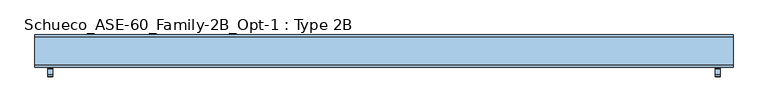
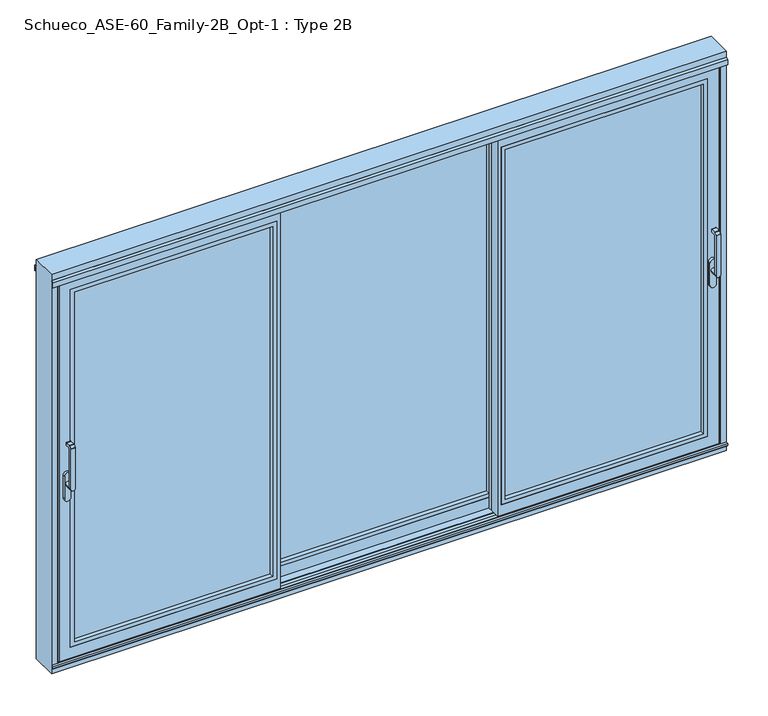
"""IFC4 building model written with IfcOpenShell, lengths in millimetres: window geometry, Schueco_ASE-60_Family-2B_Opt-1 : Type 2B."""

from ifc_helpers import new_model, si_unit, point, frame, frame_2d, origin, origin_with_axes, place, context, project, spatial, polyline, circle_curve, trimmed, segment, composite_curve, outline, extrude, faceted_brep, source, transform, mapped, element, save
from ifc_brep_helpers import plane_surface, cylinder_surface, revolved_surface, advanced_brep


def schueco_ase_60_family_2b_opt_1_type_2b_6e3fb489(model_context):
    return source(origin(), model_context, "Body", "SolidModel", [
        extrude(outline(polyline([(-596.6666667, 20.0000255), (-596.6666667, 4.0000255), (-616.6666667, 4.0000255), (-616.6666667, 20.0000255), (-596.6666667, 20.0000255)])), frame((0.0, 0.0, 4.0), z_axis=(0.0, 0.0, 1.0), x_axis=(1.0, 0.0, 0.0)), (0.0, 0.0, 1.0), 2127.0),
        extrude(outline(polyline([(596.6666667, 20.0000255), (616.6666667, 20.0000255), (616.6666667, 4.0000255), (596.6666667, 4.0000255), (596.6666667, 20.0000255)])), frame((0.0, 0.0, 4.0), z_axis=(0.0, 0.0, 1.0), x_axis=(1.0, 0.0, 0.0)), (0.0, 0.0, 1.0), 2127.0),
        faceted_brep([(616.6666667, 80.0, 2131.0), (616.6666667, 20.0000255, 2131.0), (616.6666667, 20.0000255, 4.0), (616.6666667, 80.0, 3.9982816), (-616.6666667, 20.0000255, 4.0), (-616.6666667, 20.0000255, 2131.0), (-598.6666667, 20.0000255, 64.0), (-598.6666667, 20.0000255, 2071.0), (598.6666667, 20.0000255, 2071.0), (598.6666667, 20.0000255, 64.0), (-616.6666667, 80.0, 4.0), (598.6666667, 68.9999911, 4.0), (576.6666667, 68.9999911, 4.0), (576.6666667, 74.5000332, 4.0), (-576.6666667, 74.5000332, 4.0), (-576.6666667, 68.9999911, 4.0), (-598.6666667, 68.9999911, 4.0), (-598.6666667, 25.5000255, 4.0), (598.6666667, 25.5000255, 4.0), (-616.6666667, 80.0, 2131.0), (576.6666667, 80.0, 86.0), (576.6666667, 80.0, 2049.0), (-576.6666667, 80.0, 2049.0), (-576.6666667, 80.0, 86.0), (576.6666667, 68.9999911, 34.0), (576.6666667, 74.5000332, 34.0), (576.6666667, 68.9999911, 86.0), (576.6666667, 68.9999911, 2049.0), (576.6666667, 68.9999911, 2101.0), (576.6666667, 68.9999911, 2131.0), (576.6666667, 74.5000332, 2131.0), (576.6666667, 74.5000332, 2101.0), (-576.6666667, 74.5000332, 34.0), (-576.6666667, 68.9999911, 34.0), (-576.6666667, 68.9999911, 86.0), (-576.6666667, 68.9999911, 2049.0), (-576.6666667, 74.5000332, 2131.0), (-576.6666667, 68.9999911, 2131.0), (-576.6666667, 68.9999911, 2101.0), (-576.6666667, 74.5000332, 2101.0), (598.6666667, 68.9999911, 34.0), (-598.6666667, 68.9999911, 34.0), (-598.6666667, 68.9999911, 64.0), (598.6666667, 68.9999911, 64.0), (598.6666667, 68.9999911, 2071.0), (-598.6666667, 68.9999911, 2071.0), (-598.6666667, 68.9999911, 2131.0), (-598.6666667, 68.9999911, 2101.0), (598.6666667, 68.9999911, 2131.0), (598.6666667, 68.9999911, 2101.0), (598.6666667, 25.5000255, 34.0), (598.6666667, 25.5000255, 2101.0), (598.6666667, 25.5000255, 2131.0), (-598.6666667, 25.5000255, 34.0), (-598.6666667, 25.5000255, 2131.0), (-598.6666667, 25.5000255, 2101.0)], [[[0, 1, 2, 3]], [[4, 2, 1, 5], [6, 7, 8, 9]], [[3, 2, 4, 10], [11, 12, 13, 14, 15, 16, 17, 18]], [[3, 10, 19, 0], [20, 21, 22, 23]], [[5, 19, 10, 4]], [[13, 12, 24, 25]], [[20, 26, 27, 21]], [[28, 29, 30, 31]], [[15, 14, 32, 33]], [[34, 23, 22, 35]], [[36, 37, 38, 39]], [[26, 20, 23, 34]], [[12, 11, 40, 24]], [[16, 15, 33, 41]], [[42, 43, 44, 45], [26, 34, 35, 27]], [[37, 46, 47, 38]], [[48, 29, 28, 49]], [[11, 18, 50, 40]], [[44, 43, 9, 8]], [[48, 49, 51, 52]], [[40, 50, 53, 41, 33, 32, 25, 24]], [[17, 16, 41, 53]], [[47, 46, 54, 55]], [[6, 42, 45, 7]], [[9, 43, 42, 6]], [[13, 25, 32, 14]], [[50, 18, 17, 53]], [[5, 1, 0, 19], [52, 54, 46, 37, 36, 30, 29, 48]], [[22, 21, 27, 35]], [[8, 7, 45, 44]], [[54, 52, 51, 55]], [[55, 51, 49, 28, 31, 39, 38, 47]], [[30, 36, 39, 31]]]),
        extrude(outline(polyline([(2071.0, 598.6666667), (2071.0, -598.6666667), (64.0, -598.6666667), (64.0, 598.6666667), (2071.0, 598.6666667)]), holes=[polyline([(86.012649, 576.6540176), (86.012649, -576.6540176), (2048.987351, -576.6540176), (2048.987351, 576.6540176), (86.012649, 576.6540176)])]), frame((0.0, 20.0000255, 0.0), z_axis=(0.0, 1.0, 0.0), x_axis=(0.0, 0.0, 1.0)), (0.0, 0.0, 1.0), 22.9999656),
        extrude(outline(polyline([(-598.6666667, 68.9999911), (598.6666667, 68.9999911), (598.6666667, 42.9999911), (-598.6666667, 42.9999911), (-598.6666667, 68.9999911)])), frame((0.0, 0.0, 64.0), z_axis=(0.0, 0.0, 1.0), x_axis=(1.0, 0.0, 0.0)), (0.0, 0.0, 1.0), 2007.0),
        advanced_brep(
        [(1699.75, -109.9999695, 1214.6494011), (1723.75, -109.9999695, 1214.6494011), (1723.75, -109.9999695, 999.0), (1699.75, -109.9999695, 999.005052), (1723.75, -73.9999695, 999.005052), (1699.75, -73.9999695, 999.005052), (1699.75, -121.414183, 1225.6502145), (1723.75, -121.414183, 1225.6502145), (1723.75, -110.6501229, 1236.4142746), (1699.75, -110.6501229, 1236.4142746), (1723.75, -121.9999695, 999.0), (1723.75, -121.9999695, 1224.2360009), (1699.75, -121.9999695, 1224.2360009), (1699.75, -121.9999695, 999.0), (1699.75, -109.2359094, 1237.000061), (1699.75, -81.9999695, 1237.000061), (1699.75, -79.9999695, 1235.000061), (1699.75, -79.9999695, 1224.000061), (1699.75, -81.9999695, 1222.000061), (1699.75, -102.6493095, 1222.000061), (1723.75, -102.6493095, 1222.000061), (1723.75, -81.9999695, 1222.000061), (1723.75, -79.9999695, 1224.000061), (1723.75, -79.9999695, 1235.000061), (1723.75, -81.9999695, 1237.000061), (1723.75, -109.2359094, 1237.000061)],
        [
            (0, 1),
            (1, 2),
            (2, 3, circle_curve(frame((1711.75, -109.9999695, 999.005052), z_axis=(0.0, -1.0, 0.0), x_axis=(-1.0, 0.0, 0.0)), 12.0)),
            (3, 0),
            (4, 5, circle_curve(frame((1711.75, -73.9999695, 999.005052), z_axis=(0.0, 1.0, 0.0), x_axis=(-1.0, 0.0, 0.0)), 12.0)),
            (5, 4, circle_curve(frame((1711.75, -73.9999695, 999.005052), z_axis=(0.0, 1.0, 0.0), x_axis=(-1.0, 0.0, 0.0)), 12.0)),
            (6, 7),
            (7, 8),
            (8, 9),
            (9, 6),
            (10, 11),
            (11, 12),
            (12, 13),
            (13, 10, circle_curve(frame((1711.75, -121.9999695, 999.005052), z_axis=(0.0, -1.0, 0.0), x_axis=(-1.0, 0.0, 0.0)), 12.0)),
            (13, 3),
            (3, 5),
            (4, 2),
            (2, 10),
            (12, 6, circle_curve(frame((1699.75, -119.9999695, 1224.2360009), z_axis=(-1.0, 0.0, 0.0), x_axis=(0.0, 0.0, -1.0)), 2.0)),
            (9, 14, circle_curve(frame((1699.75, -109.2359094, 1235.000061), z_axis=(-1.0, 0.0, 0.0), x_axis=(0.0, 0.0, -1.0)), 2.0)),
            (14, 15),
            (15, 16, circle_curve(frame((1699.75, -81.9999695, 1235.000061), z_axis=(-1.0, 0.0, 0.0), x_axis=(0.0, 0.0, -1.0)), 2.0)),
            (16, 17),
            (17, 18, circle_curve(frame((1699.75, -81.9999695, 1224.000061), z_axis=(-1.0, 0.0, 0.0), x_axis=(0.0, 0.0, -1.0)), 2.0)),
            (18, 19),
            (19, 0, circle_curve(frame((1699.75, -102.6493095, 1214.6494011), z_axis=(1.0, 0.0, 0.0), x_axis=(0.0, 0.0, -1.0)), 7.35066)),
            (1, 20, circle_curve(frame((1723.75, -102.6493095, 1214.6494011), z_axis=(-1.0, 0.0, 0.0), x_axis=(0.0, 0.0, -1.0)), 7.35066)),
            (20, 21),
            (21, 22, circle_curve(frame((1723.75, -81.9999695, 1224.000061), z_axis=(1.0, 0.0, 0.0), x_axis=(0.0, 0.0, -1.0)), 2.0)),
            (22, 23),
            (23, 24, circle_curve(frame((1723.75, -81.9999695, 1235.000061), z_axis=(1.0, 0.0, 0.0), x_axis=(0.0, 0.0, -1.0)), 2.0)),
            (24, 25),
            (25, 8, circle_curve(frame((1723.75, -109.2359094, 1235.000061), z_axis=(1.0, 0.0, 0.0), x_axis=(0.0, 0.0, -1.0)), 2.0)),
            (7, 11, circle_curve(frame((1723.75, -119.9999695, 1224.2360009), z_axis=(1.0, 0.0, 0.0), x_axis=(0.0, 0.0, -1.0)), 2.0)),
            (19, 20),
            (18, 21),
            (17, 22),
            (16, 23),
            (15, 24),
            (14, 25),
        ],
        [
            plane_surface(frame((1699.75, -109.9999695, 999.0), z_axis=(0.0, 1.0, 0.0), x_axis=(1.0, 0.0, 0.0))),
            plane_surface(frame((1699.75, -73.9999695, 999.005052), z_axis=(0.0, 1.0, 0.0), x_axis=(0.0, 0.0, -1.0))),
            plane_surface(frame((1699.75, -110.6501229, 1236.4142746), z_axis=(0.0, -0.7071067811865422, 0.7071067811865528), x_axis=(1.0, 0.0, 0.0))),
            plane_surface(frame((1699.75, -121.9999695, 999.005052), z_axis=(0.0, -1.0, 0.0), x_axis=(0.0, 0.0, 1.0))),
            cylinder_surface(frame((1711.75, -73.9999695, 999.005052), z_axis=(0.0, -1.0, 0.0), x_axis=(-1.0, 0.0, 0.0)), 12.0),
            plane_surface(frame((1699.75, -121.9999695, 1004.7503433), z_axis=(-1.0, 0.0, 0.0), x_axis=(0.0, 0.0, -1.0))),
            plane_surface(frame((1723.75, -121.9999695, 1004.7503433), z_axis=(1.0, 0.0, 0.0), x_axis=(0.0, 0.0, 1.0))),
            revolved_surface(polyline([(1723.75, -102.6493095, 1207.2987411), (1699.75, -102.6493095, 1207.2987411)]), (1723.75, -102.6493095, 1214.6494011), (1.0, 0.0, 0.0)),
            plane_surface(frame((1699.75, -102.6493095, 1222.000061), z_axis=(0.0, 0.0, -1.0), x_axis=(1.0, 0.0, 0.0))),
            cylinder_surface(frame((1723.75, -81.9999695, 1224.000061), z_axis=(-1.0, 0.0, 0.0), x_axis=(0.0, 0.0, -1.0)), 2.0),
            plane_surface(frame((1699.75, -79.9999695, 1224.000061), z_axis=(0.0, 1.0, 0.0), x_axis=(1.0, 0.0, 0.0))),
            cylinder_surface(frame((1723.75, -81.9999695, 1235.000061), z_axis=(-1.0, 0.0, 0.0), x_axis=(0.0, 0.0, -1.0)), 2.0),
            plane_surface(frame((1699.75, -81.9999695, 1237.000061), z_axis=(0.0, 0.0, 1.0), x_axis=(1.0, 0.0, 0.0))),
            cylinder_surface(frame((1723.75, -109.2359094, 1235.000061), z_axis=(-1.0, 0.0, 0.0), x_axis=(0.0, 0.0, -1.0)), 2.0),
            cylinder_surface(frame((1723.75, -119.9999695, 1224.2360009), z_axis=(-1.0, 0.0, 0.0), x_axis=(0.0, 0.0, -1.0)), 2.0),
        ],
        [
            (0, [[1, 2, 3, 4]]),
            (1, [[5, 6]]),
            (2, [[7, 8, 9, 10]]),
            (3, [[11, 12, 13, 14]]),
            (4, [[15, 16, -5, 17, 18, -14]]),
            (4, [[-16, -3, -17, -6]]),
            (5, [[19, -10, 20, 21, 22, 23, 24, 25, 26, -4, -15, -13]]),
            (6, [[-11, -18, -2, 27, 28, 29, 30, 31, 32, 33, -8, 34]]),
            (7, [[35, -27, -1, -26]]),
            (8, [[36, -28, -35, -25]]),
            (9, [[37, -29, -36, -24]]),
            (10, [[38, -30, -37, -23]]),
            (11, [[39, -31, -38, -22]]),
            (12, [[40, -32, -39, -21]]),
            (13, [[-9, -33, -40, -20]]),
            (14, [[-12, -34, -7, -19]]),
        ],
    ),
        extrude(outline(composite_curve([segment(polyline([(917.2823932, 1728.5), (1044.0099288, 1728.5)]), True, "CONTINUOUS"), segment(trimmed(circle_curve(frame_2d((1044.0099288, 1711.75)), 16.75), [point((1044.0099288, 1728.5))], [point((1044.0099288, 1695.0))], False, "CARTESIAN"), True, "CONTINUOUS"), segment(polyline([(1044.0099288, 1695.0), (917.2823932, 1695.0)]), True, "CONTINUOUS"), segment(trimmed(circle_curve(frame_2d((917.2823932, 1711.75)), 16.75), [point((917.2823932, 1695.0))], [point((917.2823932, 1728.5))], False, "CARTESIAN"), True, "CONTINUOUS")], self_intersect=False)), frame((0.0, -73.9999695, 0.0), z_axis=(0.0, 1.0, 0.0), x_axis=(0.0, 0.0, 1.0)), (0.0, 0.0, 1.0), 13.9999695),
        extrude(outline(polyline([(596.6666667, -2.55e-05), (576.6666667, -2.55e-05), (576.6666667, 15.9999745), (596.6666667, 15.9999745), (596.6666667, -2.55e-05)])), frame((0.0, 0.0, 4.0), z_axis=(0.0, 0.0, 1.0), x_axis=(1.0, 0.0, 0.0)), (0.0, 0.0, 1.0), 2127.0),
        faceted_brep([(576.6666667, -60.0, 2131.0), (1750.0, -60.0, 2131.0), (1750.0, -54.5, 2131.0), (594.6666667, -54.5, 2131.0), (594.6666667, -11.0000344, 2131.0), (616.6666667, -11.0000344, 2131.0), (616.6666667, -5.4999923, 2131.0), (1750.0017184, -5.4999923, 2131.0), (1750.0017184, -2.55e-05, 2131.0), (576.6666667, -2.55e-05, 2131.0), (1668.0, -2.55e-05, 86.0), (616.6666667, -2.55e-05, 86.0), (616.6666667, -11.0000344, 86.0), (1668.0, -11.0000344, 86.0), (594.6666667, -11.0000344, 64.0), (594.6666667, -60.0, 64.0), (1690.0, -60.0, 64.0), (1690.0, -11.0000344, 64.0), (1750.0017184, -2.55e-05, 4.0), (1750.0017184, -5.4999923, 4.0), (616.6666667, -5.4999923, 4.0), (616.6666667, -11.0000344, 4.0), (594.6666667, -11.0000344, 4.0), (594.6666667, -54.5, 4.0), (1750.0, -54.5, 4.0), (1750.0, -60.0, 4.0), (576.6666667, -60.0, 4.0), (576.6666667, -2.55e-05, 4.0), (1668.0, -11.0000344, 2049.0), (616.6666667, -11.0000344, 2049.0), (616.6666667, -2.55e-05, 2049.0), (1668.0, -2.55e-05, 2049.0), (1690.0, -60.0, 2071.0), (594.6666667, -60.0, 2071.0), (594.6666667, -11.0000344, 2071.0), (1690.0, -11.0000344, 2071.0), (1720.0, -54.5, 34.0), (594.6666667, -54.5, 34.0), (594.6666667, -11.0000344, 34.0), (616.6666667, -11.0000344, 34.0), (616.6666667, -5.4999923, 34.0), (1720.0, -5.4999923, 34.0), (1720.0, -54.5, 2101.0), (1720.0, -5.4999923, 2101.0), (616.6666667, -5.4999923, 2101.0), (616.6666667, -11.0000344, 2101.0), (594.6666667, -11.0000344, 2101.0), (594.6666667, -54.5, 2101.0)], [[[0, 1, 2, 3, 4, 5, 6, 7, 8, 9]], [[10, 11, 12, 13]], [[14, 15, 16, 17]], [[18, 19, 20, 21, 22, 23, 24, 25, 26, 27]], [[1, 25, 24, 2]], [[28, 29, 30, 31]], [[32, 33, 34, 35]], [[36, 37, 38, 39, 40, 41]], [[31, 10, 13, 28]], [[35, 17, 16, 32]], [[42, 36, 41, 43]], [[7, 19, 18, 8]], [[43, 44, 45, 46, 47, 42]], [[30, 29, 12, 11]], [[5, 45, 44, 6]], [[20, 40, 39, 21]], [[9, 27, 26, 0]], [[26, 25, 1, 0], [32, 16, 15, 33]], [[8, 18, 27, 9], [10, 31, 30, 11]], [[35, 34, 14, 17], [13, 12, 29, 28]], [[21, 39, 38, 22]], [[4, 46, 45, 5]], [[34, 33, 15, 14]], [[22, 38, 37, 23]], [[3, 47, 46, 4]], [[24, 23, 37, 36, 42, 47, 3, 2]], [[41, 40, 20, 19, 7, 6, 44, 43]]]),
        extrude(outline(polyline([(64.0, 594.6666667), (64.0, 1690.0), (2071.0, 1690.0), (2071.0, 594.6666667), (64.0, 594.6666667)]), holes=[polyline([(86.012649, 616.6793157), (2048.987351, 616.6793157), (2048.987351, 1667.987351), (86.012649, 1667.987351), (86.012649, 616.6793157)])]), frame((0.0, -60.0, 0.0), z_axis=(0.0, 1.0, 0.0), x_axis=(0.0, 0.0, 1.0)), (0.0, 0.0, 1.0), 22.9999656),
        extrude(outline(polyline([(1690.0, -11.0000344), (1690.0, -37.0000344), (594.6666667, -37.0000344), (594.6666667, -11.0000344), (1690.0, -11.0000344)])), frame((0.0, 0.0, 64.0), z_axis=(0.0, 0.0, 1.0), x_axis=(1.0, 0.0, 0.0)), (0.0, 0.0, 1.0), 2007.0),
        advanced_brep(
        [(-1699.75, -109.9999695, 1214.6494011), (-1699.75, -109.9999695, 999.0), (-1723.75, -109.9999695, 999.005052), (-1723.75, -109.9999695, 1214.6494011), (-1723.75, -73.9999695, 999.005052), (-1699.75, -73.9999695, 999.005052), (-1699.75, -121.414183, 1225.6502145), (-1699.75, -110.6501229, 1236.4142746), (-1723.75, -110.6501229, 1236.4142746), (-1723.75, -121.414183, 1225.6502145), (-1723.75, -121.9999695, 999.005052), (-1699.75, -121.9999695, 999.005052), (-1699.75, -121.9999695, 1224.2360009), (-1723.75, -121.9999695, 1224.2360009), (-1699.75, -102.6493095, 1222.000061), (-1699.75, -81.9999695, 1222.000061), (-1699.75, -79.9999695, 1224.000061), (-1699.75, -79.9999695, 1235.000061), (-1699.75, -81.9999695, 1237.000061), (-1699.75, -109.2359094, 1237.000061), (-1723.75, -109.2359094, 1237.000061), (-1723.75, -81.9999695, 1237.000061), (-1723.75, -79.9999695, 1235.000061), (-1723.75, -79.9999695, 1224.000061), (-1723.75, -81.9999695, 1222.000061), (-1723.75, -102.6493095, 1222.000061)],
        [
            (0, 1),
            (1, 2, circle_curve(frame((-1711.75, -109.9999695, 999.005052), z_axis=(0.0, -1.0, 0.0), x_axis=(1.0, 0.0, 0.0)), 12.0)),
            (2, 3),
            (3, 0),
            (4, 5, circle_curve(frame((-1711.75, -73.9999695, 999.005052), z_axis=(0.0, 1.0, 0.0), x_axis=(1.0, 0.0, 0.0)), 12.0)),
            (5, 4, circle_curve(frame((-1711.75, -73.9999695, 999.005052), z_axis=(0.0, 1.0, 0.0), x_axis=(1.0, 0.0, 0.0)), 12.0)),
            (6, 7),
            (7, 8),
            (8, 9),
            (9, 6),
            (10, 11, circle_curve(frame((-1711.75, -121.9999695, 999.005052), z_axis=(0.0, -1.0, 0.0), x_axis=(1.0, 0.0, 0.0)), 12.0)),
            (11, 12),
            (12, 13),
            (13, 10),
            (10, 2),
            (2, 4),
            (5, 1),
            (1, 11),
            (0, 14, circle_curve(frame((-1699.75, -102.6493095, 1214.6494011), z_axis=(-1.0, 0.0, 0.0), x_axis=(0.0, 0.0, -1.0)), 7.35066)),
            (14, 15),
            (15, 16, circle_curve(frame((-1699.75, -81.9999695, 1224.000061), z_axis=(1.0, 0.0, 0.0), x_axis=(0.0, 0.0, -1.0)), 2.0)),
            (16, 17),
            (17, 18, circle_curve(frame((-1699.75, -81.9999695, 1235.000061), z_axis=(1.0, 0.0, 0.0), x_axis=(0.0, 0.0, -1.0)), 2.0)),
            (18, 19),
            (19, 7, circle_curve(frame((-1699.75, -109.2359094, 1235.000061), z_axis=(1.0, 0.0, 0.0), x_axis=(0.0, 0.0, -1.0)), 2.0)),
            (6, 12, circle_curve(frame((-1699.75, -119.9999695, 1224.2360009), z_axis=(1.0, 0.0, 0.0), x_axis=(0.0, 0.0, -1.0)), 2.0)),
            (13, 9, circle_curve(frame((-1723.75, -119.9999695, 1224.2360009), z_axis=(-1.0, 0.0, 0.0), x_axis=(0.0, 0.0, -1.0)), 2.0)),
            (8, 20, circle_curve(frame((-1723.75, -109.2359094, 1235.000061), z_axis=(-1.0, 0.0, 0.0), x_axis=(0.0, 0.0, -1.0)), 2.0)),
            (20, 21),
            (21, 22, circle_curve(frame((-1723.75, -81.9999695, 1235.000061), z_axis=(-1.0, 0.0, 0.0), x_axis=(0.0, 0.0, -1.0)), 2.0)),
            (22, 23),
            (23, 24, circle_curve(frame((-1723.75, -81.9999695, 1224.000061), z_axis=(-1.0, 0.0, 0.0), x_axis=(0.0, 0.0, -1.0)), 2.0)),
            (24, 25),
            (25, 3, circle_curve(frame((-1723.75, -102.6493095, 1214.6494011), z_axis=(1.0, 0.0, 0.0), x_axis=(0.0, 0.0, -1.0)), 7.35066)),
            (25, 14),
            (24, 15),
            (23, 16),
            (22, 17),
            (21, 18),
            (20, 19),
        ],
        [
            plane_surface(frame((-1699.75, -109.9999695, 999.0), z_axis=(0.0, 1.0, 0.0), x_axis=(-1.0, 0.0, 0.0))),
            plane_surface(frame((-1699.75, -73.9999695, 999.005052), z_axis=(0.0, 1.0, 0.0), x_axis=(0.0, 0.0, -1.0))),
            plane_surface(frame((-1699.75, -110.6501229, 1236.4142746), z_axis=(0.0, -0.7071067811865422, 0.7071067811865528), x_axis=(-1.0, 0.0, 0.0))),
            plane_surface(frame((-1699.75, -121.9999695, 999.005052), z_axis=(0.0, -1.0, 0.0), x_axis=(0.0, 0.0, 1.0))),
            cylinder_surface(frame((-1711.75, -73.9999695, 999.005052), z_axis=(0.0, -1.0, 0.0), x_axis=(1.0, 0.0, 0.0)), 12.0),
            plane_surface(frame((-1699.75, -121.9999695, 1004.7503433), z_axis=(1.0, 0.0, 0.0), x_axis=(0.0, 0.0, -1.0))),
            plane_surface(frame((-1723.75, -121.9999695, 1004.7503433), z_axis=(-1.0, 0.0, 0.0), x_axis=(0.0, 0.0, 1.0))),
            revolved_surface(polyline([(-1723.75, -102.6493095, 1207.2987411), (-1699.75, -102.6493095, 1207.2987411)]), (-1723.75, -102.6493095, 1214.6494011), (-1.0, 0.0, 0.0)),
            plane_surface(frame((-1699.75, -102.6493095, 1222.000061), z_axis=(0.0, 0.0, -1.0), x_axis=(-1.0, 0.0, 0.0))),
            cylinder_surface(frame((-1723.75, -81.9999695, 1224.000061), z_axis=(1.0, 0.0, 0.0), x_axis=(0.0, 0.0, -1.0)), 2.0),
            plane_surface(frame((-1699.75, -79.9999695, 1224.000061), z_axis=(0.0, 1.0, 0.0), x_axis=(-1.0, 0.0, 0.0))),
            cylinder_surface(frame((-1723.75, -81.9999695, 1235.000061), z_axis=(1.0, 0.0, 0.0), x_axis=(0.0, 0.0, -1.0)), 2.0),
            plane_surface(frame((-1699.75, -81.9999695, 1237.000061), z_axis=(0.0, 0.0, 1.0), x_axis=(-1.0, 0.0, 0.0))),
            cylinder_surface(frame((-1723.75, -109.2359094, 1235.000061), z_axis=(1.0, 0.0, 0.0), x_axis=(0.0, 0.0, -1.0)), 2.0),
            cylinder_surface(frame((-1723.75, -119.9999695, 1224.2360009), z_axis=(1.0, 0.0, 0.0), x_axis=(0.0, 0.0, -1.0)), 2.0),
        ],
        [
            (0, [[1, 2, 3, 4]]),
            (1, [[5, 6]]),
            (2, [[7, 8, 9, 10]]),
            (3, [[11, 12, 13, 14]]),
            (4, [[-11, 15, 16, -6, 17, 18]]),
            (4, [[-5, -16, -2, -17]]),
            (5, [[-12, -18, -1, 19, 20, 21, 22, 23, 24, 25, -7, 26]]),
            (6, [[27, -9, 28, 29, 30, 31, 32, 33, 34, -3, -15, -14]]),
            (7, [[-19, -4, -34, 35]]),
            (8, [[-20, -35, -33, 36]]),
            (9, [[-21, -36, -32, 37]]),
            (10, [[-22, -37, -31, 38]]),
            (11, [[-23, -38, -30, 39]]),
            (12, [[-24, -39, -29, 40]]),
            (13, [[-25, -40, -28, -8]]),
            (14, [[-26, -10, -27, -13]]),
        ],
    ),
        extrude(outline(composite_curve([segment(trimmed(circle_curve(frame_2d((917.2823932, -1711.75)), 16.75), [point((917.2823932, -1728.5))], [point((917.2823932, -1695.0))], False, "CARTESIAN"), True, "CONTINUOUS"), segment(polyline([(917.2823932, -1695.0), (1044.0099288, -1695.0)]), True, "CONTINUOUS"), segment(trimmed(circle_curve(frame_2d((1044.0099288, -1711.75)), 16.75), [point((1044.0099288, -1695.0))], [point((1044.0099288, -1728.5))], False, "CARTESIAN"), True, "CONTINUOUS"), segment(polyline([(1044.0099288, -1728.5), (917.2823932, -1728.5)]), True, "CONTINUOUS")], self_intersect=False)), frame((0.0, -73.9999695, 0.0), z_axis=(0.0, 1.0, 0.0), x_axis=(0.0, 0.0, 1.0)), (0.0, 0.0, 1.0), 13.9999695),
        extrude(outline(polyline([(-596.6666667, -2.55e-05), (-596.6666667, 15.9999745), (-576.6666667, 15.9999745), (-576.6666667, -2.55e-05), (-596.6666667, -2.55e-05)])), frame((0.0, 0.0, 4.0), z_axis=(0.0, 0.0, 1.0), x_axis=(1.0, 0.0, 0.0)), (0.0, 0.0, 1.0), 2127.0),
        faceted_brep([(-576.6666667, -60.0, 2131.0), (-576.6666667, -2.55e-05, 2131.0), (-1750.0017184, -2.55e-05, 2131.0), (-1750.0017184, -5.4999923, 2131.0), (-616.6666667, -5.4999923, 2131.0), (-616.6666667, -11.0000344, 2131.0), (-594.6666667, -11.0000344, 2131.0), (-594.6666667, -54.5, 2131.0), (-1750.0, -54.5, 2131.0), (-1750.0, -60.0, 2131.0), (-1668.0, -2.55e-05, 86.0), (-1668.0, -11.0000344, 86.0), (-616.6666667, -11.0000344, 86.0), (-616.6666667, -2.55e-05, 86.0), (-594.6666667, -11.0000344, 64.0), (-1690.0, -11.0000344, 64.0), (-1690.0, -60.0, 64.0), (-594.6666667, -60.0, 64.0), (-1750.0017184, -2.55e-05, 4.0), (-576.6666667, -2.55e-05, 4.0), (-576.6666667, -60.0, 4.0), (-1750.0, -60.0, 4.0), (-1750.0, -54.5, 4.0), (-594.6666667, -54.5, 4.0), (-594.6666667, -11.0000344, 4.0), (-616.6666667, -11.0000344, 4.0), (-616.6666667, -5.4999923, 4.0), (-1750.0017184, -5.4999923, 4.0), (-1668.0, -11.0000344, 2049.0), (-1668.0, -2.55e-05, 2049.0), (-616.6666667, -2.55e-05, 2049.0), (-616.6666667, -11.0000344, 2049.0), (-1690.0, -60.0, 2071.0), (-1690.0, -11.0000344, 2071.0), (-594.6666667, -11.0000344, 2071.0), (-594.6666667, -60.0, 2071.0), (-1720.0, -54.5, 34.0), (-1720.0, -5.4999923, 34.0), (-616.6666667, -5.4999923, 34.0), (-616.6666667, -11.0000344, 34.0), (-594.6666667, -11.0000344, 34.0), (-594.6666667, -54.5, 34.0), (-1720.0, -54.5, 2101.0), (-1720.0, -5.4999923, 2101.0), (-594.6666667, -54.5, 2101.0), (-594.6666667, -11.0000344, 2101.0), (-616.6666667, -11.0000344, 2101.0), (-616.6666667, -5.4999923, 2101.0)], [[[0, 1, 2, 3, 4, 5, 6, 7, 8, 9]], [[10, 11, 12, 13]], [[14, 15, 16, 17]], [[18, 19, 20, 21, 22, 23, 24, 25, 26, 27]], [[9, 8, 22, 21]], [[28, 29, 30, 31]], [[32, 33, 34, 35]], [[36, 37, 38, 39, 40, 41]], [[29, 28, 11, 10]], [[33, 32, 16, 15]], [[42, 43, 37, 36]], [[3, 2, 18, 27]], [[43, 42, 44, 45, 46, 47]], [[5, 4, 47, 46]], [[26, 25, 39, 38]], [[30, 13, 12, 31]], [[1, 0, 20, 19]], [[20, 0, 9, 21], [32, 35, 17, 16]], [[2, 1, 19, 18], [10, 13, 30, 29]], [[6, 5, 46, 45]], [[25, 24, 40, 39]], [[33, 15, 14, 34], [11, 28, 31, 12]], [[7, 6, 45, 44]], [[24, 23, 41, 40]], [[34, 14, 17, 35]], [[22, 8, 7, 44, 42, 36, 41, 23]], [[37, 43, 47, 4, 3, 27, 26, 38]]]),
        extrude(outline(polyline([(64.0, -594.6666667), (2071.0, -594.6666667), (2071.0, -1690.0), (64.0, -1690.0), (64.0, -594.6666667)]), holes=[polyline([(86.012649, -616.6793157), (86.012649, -1667.987351), (2048.987351, -1667.987351), (2048.987351, -616.6793157), (86.012649, -616.6793157)])]), frame((0.0, -60.0, 0.0), z_axis=(0.0, 1.0, 0.0), x_axis=(0.0, 0.0, 1.0)), (0.0, 0.0, 1.0), 22.9999656),
        extrude(outline(polyline([(-1690.0, -11.0000344), (-594.6666667, -11.0000344), (-594.6666667, -37.0000344), (-1690.0, -37.0000344), (-1690.0, -11.0000344)])), frame((0.0, 0.0, 64.0), z_axis=(0.0, 0.0, 1.0), x_axis=(1.0, 0.0, 0.0)), (0.0, 0.0, 1.0), 2007.0),
        extrude(outline(polyline([(-1739.0, 5.0), (-1758.0007202, 5.0), (-1758.0007202, 9.0), (-1742.0, 9.0), (-1742.0, 68.2882381), (-1750.0, 71.2), (-1750.0, 80.0), (-1739.0, 80.0), (-1739.0, 5.0)])), origin_with_axes(), (0.0, 0.0, 1.0), 2157.5),
        extrude(outline(polyline([(1739.0, 5.0), (1739.0, 80.0), (1750.0, 80.0), (1750.0, 71.2), (1742.0, 68.2882381), (1742.0, 9.0), (1758.0007202, 9.0), (1758.0007202, 5.0), (1739.0, 5.0)])), origin_with_axes(), (0.0, 0.0, 1.0), 2157.5),
        faceted_brep([(1790.0, 80.0, -51.0), (1790.0, -60.0, -51.0), (-1790.0, -60.0, -51.0), (-1790.0, 80.0, -51.0), (1790.0, 80.0, 2190.0), (1790.0, -60.0, 2190.0), (-1790.0, -60.0, 2190.0), (-1758.0, -60.0, -19.0), (-1758.0, -60.0, 2157.5), (1758.0, -60.0, 2157.5), (1758.0, -60.0, -19.0), (-1790.0, 80.0, 2190.0), (-1758.0, -51.2000255, -19.0), (-1758.0, -51.2000255, 2157.5), (1758.0, -51.2000255, 2157.5), (1758.0, -51.2000255, -19.0), (1742.0, -11.7120495, -3.0), (1742.0, -48.2882636, -3.0), (1742.0, -48.2882636, 2122.0), (1742.0, -11.7120495, 2122.0), (1742.0, -11.7120495, 2155.2007202), (1742.0, -11.7120495, 2130.9120495), (1742.0, -15.8, 2135.0), (1742.0, -15.8, 2155.2007202), (1742.0, -48.2882636, 2130.9117364), (1742.0, -48.2882636, 2142.0), (1742.0, -44.2, 2142.0), (1742.0, -44.2, 2135.0), (-1742.0, -11.7120244, -3.0), (-1742.0, -48.2882385, -3.0), (1750.0, -51.2000255, -11.00007), (1750.0, -51.2000255, 2150.0), (1746.7029571, -50.0, 2129.2), (1746.7029571, -50.0, 2122.0), (1750.0007202, -8.8000255, -11.0006502), (1746.7038173, -10.0, 2122.0), (1746.7038173, -10.0, 2129.2), (1750.0007202, -8.8000255, 2155.2007202), (-1750.0, -51.2000255, -11.00007), (-1750.0, -51.2000255, 2150.0), (-1741.9999997, -48.2882635, 2122.0), (-1746.7029571, -50.0, 2122.0), (-1746.7029571, -50.0, 2129.2), (-1741.9999996, -48.2882635, 2130.9117365), (-1741.9999998, -48.2882635, 2142.0), (-1750.0007202, -8.8000255, -11.0006502), (1758.0007202, -8.8000255, 2155.2007202), (1758.0007202, -8.8000255, -19.0007202), (-1758.0007202, -8.8000255, -19.0007202), (-1758.0007202, -8.8000255, 2155.2007202), (-1750.0007202, -8.8000255, 2155.2007202), (1758.0007202, 28.7999745, -19.0007202), (1758.0007202, 28.7999745, 2155.2007202), (-1758.0007202, 28.7999745, -19.0007202), (-1758.0007202, 28.7999745, 2155.2007202), (-1742.0000001, -11.7120494, 2155.2007202), (-1742.0000002, -11.7120494, 2130.9120494), (-1746.7038173, -10.0, 2129.2), (-1746.7038173, -10.0, 2122.0), (-1742.0000003, -11.7120494, 2122.0), (1750.0007202, 28.7999745, -11.0007902), (-1750.0007202, 28.7999745, -11.0007902), (-1750.0007202, 28.7999745, 2155.2007202), (1750.0007202, 28.7999745, 2155.2007202), (1741.9999672, 31.7120105, -3.0000372), (-1741.999931, 31.712024, -3.0000001), (-1741.9999979, 31.7119993, 2122.0), (-1746.7036773, 30.0, 2122.0), (-1746.7036773, 30.0, 2129.2), (-1741.9999981, 31.7119992, 2130.9119992), (-1741.9999989, 31.7119989, 2155.2007202), (1742.0, 31.7119985, 2155.2007202), (1742.0, 31.7119985, 2130.9119985), (1746.7036773, 30.0, 2129.2), (1746.7036773, 30.0, 2122.0), (1742.0, 31.7119985, 2122.0), (1742.0, 35.8, 2155.2007202), (1742.0, 35.8, 2135.0), (1742.0, 68.2882381, -3.0), (1742.0, 68.2882381, 2122.0), (1742.0, 68.2882381, 2142.0), (1742.0, 68.2882381, 2130.9117619), (1742.0, 64.2, 2135.0), (1742.0, 64.2, 2142.0), (-1742.0, 68.2882381, -3.0), (1750.0, 71.2, -11.0), (1746.7030271, 70.0, 2122.0), (1746.7030271, 70.0, 2129.2), (1750.0, 71.2, 2150.0), (-1750.0, 71.2, -11.0), (1758.0, 71.2, -19.0), (-1758.0, 71.2, -19.0), (-1758.0, 71.2, 2157.5), (1758.0, 71.2, 2157.5), (-1750.0, 71.2, 2150.0), (-1742.0, 68.2882381, 2142.0), (-1742.0, 68.2882381, 2130.9117619), (-1746.7030271, 70.0, 2129.2), (-1746.7030271, 70.0, 2122.0), (-1742.0, 68.2882381, 2122.0), (1758.0, 80.0, -19.0), (-1758.0, 80.0, -19.0), (-1758.0, 80.0, 2157.5), (1758.0, 80.0, 2157.5), (-1742.0, 64.2, 2142.0), (-1742.0, 64.2, 2135.0), (-1742.0, 35.8, 2135.0), (-1742.0, 35.8, 2155.2007202), (-1742.0, -15.8, 2155.2007202), (-1742.0, -15.8, 2135.0), (-1742.0, -44.2, 2135.0), (-1742.0, -44.2, 2142.0)], [[[0, 1, 2, 3]], [[0, 4, 5, 1]], [[5, 6, 2, 1], [7, 8, 9, 10]], [[11, 3, 2, 6]], [[7, 12, 13, 8]], [[14, 15, 10, 9]], [[10, 15, 12, 7]], [[16, 17, 18, 19]], [[20, 21, 22, 23]], [[24, 25, 26, 27]], [[17, 16, 28, 29]], [[17, 30, 31, 25, 24, 32, 33, 18]], [[34, 16, 19, 35, 36, 21, 20, 37]], [[12, 15, 14, 13], [30, 38, 39, 31]], [[30, 17, 29, 38]], [[38, 29, 40, 41, 42, 43, 44, 39]], [[16, 34, 45, 28]], [[45, 34, 37, 46, 47, 48, 49, 50]], [[51, 47, 46, 52]], [[47, 51, 53, 48]], [[48, 53, 54, 49]], [[28, 45, 50, 55, 56, 57, 58, 59]], [[60, 61, 62, 54, 53, 51, 52, 63]], [[60, 64, 65, 61]], [[61, 65, 66, 67, 68, 69, 70, 62]], [[64, 60, 63, 71, 72, 73, 74, 75]], [[72, 71, 76, 77]], [[78, 64, 75, 79]], [[80, 81, 82, 83]], [[64, 78, 84, 65]], [[85, 78, 79, 86, 87, 81, 80, 88]], [[78, 85, 89, 84]], [[90, 91, 92, 93], [89, 85, 88, 94]], [[84, 89, 94, 95, 96, 97, 98, 99]], [[90, 100, 101, 91]], [[92, 91, 101, 102]], [[100, 90, 93, 103]], [[65, 84, 99, 66]], [[96, 95, 104, 105]], [[70, 69, 106, 107]], [[29, 28, 59, 40]], [[56, 55, 108, 109]], [[44, 43, 110, 111]], [[5, 4, 11, 6]], [[9, 8, 13, 14]], [[58, 35, 19, 18, 33, 41, 40, 59]], [[109, 22, 21, 36, 57, 56]], [[108, 23, 22, 109]], [[107, 76, 71, 63, 52, 46, 37, 20, 23, 108, 55, 50, 49, 54, 62, 70]], [[25, 44, 111, 26]], [[110, 27, 26, 111]], [[42, 32, 24, 27, 110, 43]], [[44, 25, 31, 39]], [[41, 33, 32, 42]], [[57, 36, 35, 58]], [[68, 73, 72, 77, 106, 69]], [[67, 74, 73, 68]], [[98, 86, 79, 75, 74, 67, 66, 99]], [[106, 77, 76, 107]], [[105, 82, 81, 87, 97, 96]], [[104, 83, 82, 105]], [[95, 80, 83, 104]], [[97, 87, 86, 98]], [[94, 88, 80, 95]], [[93, 92, 102, 103]], [[11, 4, 0, 3], [100, 103, 102, 101]]]),
        extrude(outline(polyline([(-73.0, -2.0), (-60.0, -2.0), (-60.0, -21.8), (-66.4, -21.8), (-73.0, -15.2), (-73.0, -2.0)])), frame((-1790.0, 0.0, 0.0), z_axis=(1.0, 0.0, 0.0), x_axis=(0.0, 1.0, 0.0)), (0.0, 0.0, 1.0), 3580.0),
        extrude(outline(polyline([(-51.2000255, 2150.5), (-68.5243789, 2150.5), (-71.0000233, 2149.0706861), (-71.0000233, 2121.5), (-72.6000233, 2121.5), (-72.6000233, 2150.225198), (-59.9996967, 2157.5), (-51.2000255, 2157.5), (-51.2000255, 2150.5)])), frame((-1790.0, 0.0, 0.0), z_axis=(1.0, 0.0, 0.0), x_axis=(0.0, 1.0, 0.0)), (0.0, 0.0, 1.0), 3580.0),
        extrude(outline(polyline([(71.2000255, 2150.5), (71.2000255, 2157.5), (79.9996967, 2157.5), (92.6000233, 2150.225198), (92.6000233, 2121.5), (91.0000233, 2121.5), (91.0000233, 2149.0706861), (88.5243789, 2150.5), (71.2000255, 2150.5)])), frame((-1790.0, 0.0, 0.0), z_axis=(1.0, 0.0, 0.0), x_axis=(0.0, 1.0, 0.0)), (0.0, 0.0, 1.0), 3580.0),
        extrude(outline(polyline([(28.7999745, -11.0007902), (28.7999745, -19.0007202), (-8.8000255, -19.0007202), (-8.8000255, -11.0006502), (-11.7120375, -2.9999628), (-18.0, -2.9999628), (-18.0, 0.0), (80.0, 0.0), (80.0, -11.0), (71.2, -11.0), (68.2882381, -3.0), (31.712024, -3.0), (28.7999745, -11.0007902)])), frame((-1758.0007202, 0.0, 0.0), z_axis=(1.0, 0.0, 0.0), x_axis=(0.0, 1.0, 0.0)), (0.0, 0.0, 1.0), 3516.0014404),
        extrude(outline(polyline([(-48.2882246, -2.9999628), (-51.2000255, -11.00007), (-51.2000255, -19.0007202), (-60.0, -19.0007202), (-60.0, 0.0), (-42.0, 0.0), (-42.0, -2.9999628), (-48.2882246, -2.9999628)])), frame((-1758.0007202, 0.0, 0.0), z_axis=(1.0, 0.0, 0.0), x_axis=(0.0, 1.0, 0.0)), (0.0, 0.0, 1.0), 3516.0014404),
    ])


if __name__ == "__main__":
    model = new_model("IFC4")
    model_context = context("Model", 3, world=origin())
    ifc_project = project(units=[si_unit("LENGTHUNIT", "METRE", prefix="MILLI")], contexts=[model_context])
    site = spatial("IfcSite", under=ifc_project)
    building = spatial("IfcBuilding", under=site)
    placement = place(None, origin())
    schueco_ase_60_family_2b_opt_1_type_2b_shape = schueco_ase_60_family_2b_opt_1_type_2b_6e3fb489(model_context)
    element("IfcWindow", 1, ObjectType="Schueco_ASE-60_Family-2B_Opt-1 : Type 2B", at=placement, inside=building, context=model_context, shape_type="MappedRepresentation", body=[
        mapped(schueco_ase_60_family_2b_opt_1_type_2b_shape, transform((0.0, 0.0, 0.0), x_axis=(1.0, 0.0, 0.0), y_axis=(0.0, 1.0, 0.0), z_axis=(0.0, 0.0, 1.0))),
    ])
    save(model, "model.ifc")
